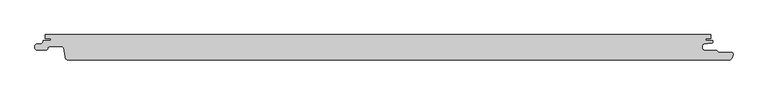
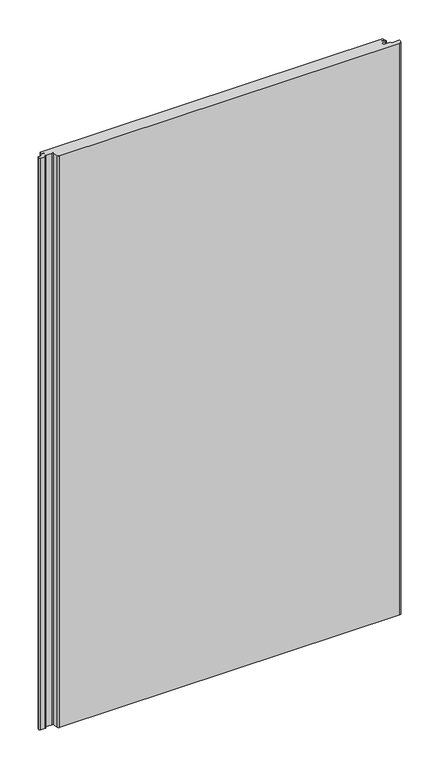
"""IFC4 building model written with IfcOpenShell, lengths in millimetres: proxy geometry."""

from ifc_helpers import new_model, si_unit, frame, origin, place, context, project, spatial, polyline, circle_curve, source, transform, mapped, element, save
from ifc_brep_helpers import plane_surface, cylinder_surface, revolved_surface, advanced_brep


def generic_models_c02bc16c(model_context):
    return source(origin(), model_context, "Body", "AdvancedBrep", [
        advanced_brep(
        [(484.3298107, -1.8000001, 1750.0), (484.3298107, 2.7224763, 1750.0), (486.6119534, 5.2129632, 1750.0), (498.354128, 6.2402726, 1750.0), (499.9, 8.6411684, 1750.0), (499.9, 10.0000004, 1750.0), (489.1798407, 10.0000004, 1750.0), (489.1798407, 13.0, 1750.0), (497.1797973, 13.0, 1750.0), (497.1797973, 19.0, 1750.0), (-496.8201817, 19.0, 1750.0), (-496.8201817, 13.0, 1750.0), (-488.8201818, 13.0, 1750.0), (-488.8201818, 10.0000004, 1750.0), (-500.0, 10.0000004, 1750.0), (-500.0, 9.2119514, 1750.0), (-502.1022925, 5.8003409, 1750.0), (-509.3990803, 5.1619547, 1750.0), (-512.3201819, 1.9741325, 1750.0), (-512.3201819, -0.8, 1750.0), (-509.1201818, -4.0, 1750.0), (-495.8890733, -4.0, 1750.0), (-493.4041499, -1.4803363, 1750.0), (-490.8699744, 1.0000008, 1750.0), (-471.869975, 1.0000008, 1750.0), (-469.4007538, -1.108914, 1750.0), (-467.2618449, -14.6134595, 1750.0), (-462.1258654, -19.0, 1750.0), (523.545754, -19.0, 1750.0), (529.0259034, -15.1970619, 1750.0), (530.1174781, -10.8771031, 1750.0), (527.5001275, -7.3, 1750.0), (508.408237, -7.3, 1750.0), (505.4082234, -4.2999995, 1750.0), (486.8298083, -4.2999995, 1750.0), (484.3298107, -1.8000001, 0.0), (486.8298083, -4.2999995, 0.0), (505.4082234, -4.2999995, 0.0), (508.408237, -7.3, 0.0), (527.5001275, -7.3, 0.0), (530.1174781, -10.8771031, 0.0), (529.0259034, -15.1970619, 0.0), (523.545754, -19.0, 0.0), (-462.1258654, -19.0, 0.0), (-467.2618449, -14.6134595, 0.0), (-469.4007538, -1.108914, 0.0), (-471.869975, 1.0000008, 0.0), (-490.8699744, 1.0000008, 0.0), (-493.3542541, -1.4766379, 0.0), (-495.8890733, -4.0, 0.0), (-509.1201818, -4.0, 0.0), (-512.3201819, -0.8, 0.0), (-512.3201819, 1.9741325, 0.0), (-509.3990803, 5.1619547, 0.0), (-502.1022925, 5.8003409, 0.0), (-500.0, 9.2119514, 0.0), (-500.0, 10.0000004, 0.0), (-488.8201818, 10.0000004, 0.0), (-488.8201818, 13.0, 0.0), (-496.8201817, 13.0, 0.0), (-496.8201817, 19.0, 0.0), (497.1797973, 19.0, 0.0), (497.1797973, 13.0, 0.0), (489.1798407, 13.0, 0.0), (489.1798407, 10.0000004, 0.0), (499.9, 10.0000004, 0.0), (499.9, 8.6411684, 0.0), (498.354128, 6.2402726, 0.0), (486.6119534, 5.2129632, 0.0), (484.3298107, 2.7224763, 0.0)],
        [
            (0, 1),
            (1, 2, circle_curve(frame((487.1582199, 2.4215379, 1750.0), z_axis=(0.0, 0.0, -1.0), x_axis=(1.0, 0.0, 0.0)), 2.8443739)),
            (2, 3),
            (3, 4, circle_curve(frame((497.0478272, 8.7794849, 1750.0), z_axis=(0.0, 0.0, 1.0), x_axis=(1.0, 0.0, 0.0)), 2.8555247)),
            (4, 5),
            (5, 6),
            (6, 7),
            (7, 8),
            (8, 9),
            (9, 10),
            (10, 11),
            (11, 12),
            (12, 13),
            (13, 14),
            (14, 15),
            (15, 16, circle_curve(frame((-503.8193353, 9.2119514, 1750.0), z_axis=(0.0, 0.0, -1.0), x_axis=(1.0, 0.0, 0.0)), 3.8193353)),
            (16, 17),
            (17, 18, circle_curve(frame((-509.0519935, 1.9116485, 1750.0), z_axis=(0.0, 0.0, 1.0), x_axis=(1.0, 0.0, 0.0)), 3.2687857)),
            (18, 19),
            (19, 20, circle_curve(frame((-509.1681836, -0.8480017, 1750.0), z_axis=(0.0, 0.0, 1.0), x_axis=(1.0, 0.0, 0.0)), 3.1523638)),
            (20, 21),
            (21, 22, circle_curve(frame((-495.7478996, -1.6540644, 1750.0), z_axis=(0.0, 0.0, 1.0), x_axis=(1.0, 0.0, 0.0)), 2.3501795)),
            (22, 23, circle_curve(frame((-491.0480249, -1.3056909, 1750.0), z_axis=(0.0, 0.0, -1.0), x_axis=(1.0, 0.0, 0.0)), 2.3125562)),
            (23, 24),
            (24, 25, circle_curve(frame((-471.8642031, -1.4932414, 1750.0), z_axis=(0.0, 0.0, -1.0), x_axis=(1.0, 0.0, 0.0)), 2.4932489)),
            (25, 26),
            (26, 27, circle_curve(frame((-462.186788, -13.871331, 1750.0), z_axis=(0.0, 0.0, 1.0), x_axis=(1.0, 0.0, 0.0)), 5.1290309)),
            (27, 28),
            (28, 29, circle_curve(frame((523.545754, -13.15, 1750.0), z_axis=(0.0, 0.0, 1.0), x_axis=(1.0, 0.0, 0.0)), 5.85)),
            (29, 30),
            (30, 31, circle_curve(frame((527.1899828, -10.273035, 1750.0), z_axis=(0.0, 0.0, 1.0), x_axis=(1.0, 0.0, 0.0)), 2.9891683)),
            (31, 32),
            (32, 33),
            (33, 34),
            (34, 0, circle_curve(frame((486.8260066, -1.8038036, 1750.0), z_axis=(0.0, 0.0, -1.0), x_axis=(1.0, 0.0, 0.0)), 2.4961988)),
            (35, 36, circle_curve(frame((486.8260066, -1.8038036, 0.0), z_axis=(0.0, 0.0, 1.0), x_axis=(1.0, 0.0, 0.0)), 2.4961988)),
            (36, 37),
            (37, 38),
            (38, 39),
            (39, 40, circle_curve(frame((527.1899828, -10.273035, 0.0), z_axis=(0.0, 0.0, -1.0), x_axis=(1.0, 0.0, 0.0)), 2.9891683)),
            (40, 41),
            (41, 42, circle_curve(frame((523.545754, -13.15, 0.0), z_axis=(0.0, 0.0, -1.0), x_axis=(1.0, 0.0, 0.0)), 5.85)),
            (42, 43),
            (43, 44, circle_curve(frame((-462.186788, -13.871331, 0.0), z_axis=(0.0, 0.0, -1.0), x_axis=(1.0, 0.0, 0.0)), 5.1290309)),
            (44, 45),
            (45, 46, circle_curve(frame((-471.8642031, -1.4932414, 0.0), z_axis=(0.0, 0.0, 1.0), x_axis=(1.0, 0.0, 0.0)), 2.4932489)),
            (46, 47),
            (47, 48, circle_curve(frame((-491.0480249, -1.3056909, 0.0), z_axis=(0.0, 0.0, 1.0), x_axis=(1.0, 0.0, 0.0)), 2.3125562)),
            (48, 49, circle_curve(frame((-495.7478996, -1.6540644, 0.0), z_axis=(0.0, 0.0, -1.0), x_axis=(1.0, 0.0, 0.0)), 2.3501795)),
            (49, 50),
            (50, 51, circle_curve(frame((-509.1681836, -0.8480017, 0.0), z_axis=(0.0, 0.0, -1.0), x_axis=(1.0, 0.0, 0.0)), 3.1523638)),
            (51, 52),
            (52, 53, circle_curve(frame((-509.0519935, 1.9116485, 0.0), z_axis=(0.0, 0.0, -1.0), x_axis=(1.0, 0.0, 0.0)), 3.2687857)),
            (53, 54),
            (54, 55, circle_curve(frame((-503.8193353, 9.2119514, 0.0), z_axis=(0.0, 0.0, 1.0), x_axis=(1.0, 0.0, 0.0)), 3.8193353)),
            (55, 56),
            (56, 57),
            (57, 58),
            (58, 59),
            (59, 60),
            (60, 61),
            (61, 62),
            (62, 63),
            (63, 64),
            (64, 65),
            (65, 66),
            (66, 67, circle_curve(frame((497.0478272, 8.7794849, 0.0), z_axis=(0.0, 0.0, -1.0), x_axis=(1.0, 0.0, 0.0)), 2.8555247)),
            (67, 68),
            (68, 69, circle_curve(frame((487.1582199, 2.4215379, 0.0), z_axis=(0.0, 0.0, 1.0), x_axis=(1.0, 0.0, 0.0)), 2.8443739)),
            (69, 35),
            (3, 67),
            (66, 4),
            (34, 36),
            (35, 0),
            (33, 37),
            (32, 38),
            (31, 39),
            (30, 40),
            (29, 41),
            (28, 42),
            (27, 43),
            (26, 44),
            (25, 45),
            (24, 46),
            (23, 47),
            (22, 48),
            (21, 49),
            (20, 50),
            (19, 51),
            (18, 52),
            (17, 53),
            (16, 54),
            (15, 55),
            (14, 56),
            (13, 57),
            (12, 58),
            (11, 59),
            (10, 60),
            (9, 61),
            (8, 62),
            (7, 63),
            (6, 64),
            (5, 65),
            (2, 68),
            (1, 69),
        ],
        [
            plane_surface(frame((489.3222054, -1.8038036, 1750.0), z_axis=(0.0, 0.0, 1.0), x_axis=(0.0, 1.0, 0.0))),
            plane_surface(frame((489.3222054, -1.8038036, 0.0), z_axis=(0.0, 0.0, -1.0), x_axis=(0.0, -1.0, 0.0))),
            cylinder_surface(frame((497.0478272, 8.7794849, 0.0), z_axis=(0.0, 0.0, 1.0), x_axis=(1.0, 0.0, 0.0)), 2.8555247),
            revolved_surface(polyline([(489.32220540000003, -1.8038036, 0.0), (489.32220540000003, -1.8038036, 1750.0)]), (486.8260066, -1.8038036, 0.0), (0.0, 0.0, -1.0)),
            plane_surface(frame((486.8298083, -4.2999995, 1750.0), z_axis=(0.0, 1.0, 0.0), x_axis=(0.0, 0.0, -1.0))),
            plane_surface(frame((505.4082234, -4.2999995, 1750.0), z_axis=(0.7071052289837289, 0.707108333385959, 0.0), x_axis=(0.0, 0.0, -1.0))),
            plane_surface(frame((508.408237, -7.3, 1750.0), z_axis=(0.0, 1.0, 0.0), x_axis=(0.0, 0.0, -1.0))),
            cylinder_surface(frame((527.1899828, -10.273035, 0.0), z_axis=(0.0, 0.0, 1.0), x_axis=(1.0, 0.0, 0.0)), 2.9891683),
            plane_surface(frame((530.1174781, -10.8771031, 1750.0), z_axis=(0.9695276443999398, -0.24498193146496328, 0.0), x_axis=(0.0, 0.0, -1.0))),
            cylinder_surface(frame((523.545754, -13.15, 0.0), z_axis=(0.0, 0.0, 1.0), x_axis=(1.0, 0.0, 0.0)), 5.85),
            plane_surface(frame((523.545754, -19.0, 1750.0), z_axis=(0.0, -1.0, 0.0), x_axis=(0.0, 0.0, -1.0))),
            cylinder_surface(frame((-462.186788, -13.871331, 0.0), z_axis=(0.0, 0.0, 1.0), x_axis=(1.0, 0.0, 0.0)), 5.1290309),
            plane_surface(frame((-467.2618449, -14.6134595, 1750.0), z_axis=(-0.9876883510848851, -0.15643439881055846, 0.0), x_axis=(0.0, 0.0, -1.0))),
            revolved_surface(polyline([(-469.37095419999997, -1.4932414, 0.0), (-469.37095419999997, -1.4932414, 1750.0)]), (-471.8642031, -1.4932414, 0.0), (0.0, 0.0, -1.0)),
            plane_surface(frame((-471.869975, 1.0000008, 1750.0), z_axis=(0.0, -1.0, 0.0), x_axis=(0.0, 0.0, -1.0))),
            revolved_surface(polyline([(-488.73546869999996, -1.3056909, 0.0), (-488.73546869999996, -1.3056909, 1750.0)]), (-491.0480249, -1.3056909, 0.0), (0.0, 0.0, -1.0)),
            cylinder_surface(frame((-495.7478996, -1.6540644, 0.0), z_axis=(0.0, 0.0, 1.0), x_axis=(1.0, 0.0, 0.0)), 2.3501795),
            plane_surface(frame((-495.8890733, -4.0, 1750.0), z_axis=(0.0, -1.0, 0.0), x_axis=(0.0, 0.0, -1.0))),
            cylinder_surface(frame((-509.1681836, -0.8480017, 0.0), z_axis=(0.0, 0.0, 1.0), x_axis=(1.0, 0.0, 0.0)), 3.1523638),
            plane_surface(frame((-512.3201819, -0.8, 1750.0), z_axis=(-1.0, 0.0, 0.0), x_axis=(0.0, 0.0, -1.0))),
            cylinder_surface(frame((-509.0519935, 1.9116485, 0.0), z_axis=(0.0, 0.0, 1.0), x_axis=(1.0, 0.0, 0.0)), 3.2687857),
            plane_surface(frame((-509.3990803, 5.1619547, 1750.0), z_axis=(-0.08715574563482881, 0.9961946978391508, 0.0), x_axis=(0.0, 0.0, -1.0))),
            revolved_surface(polyline([(-500.0, 9.2119514, 0.0), (-500.0, 9.2119514, 1750.0)]), (-503.8193353, 9.2119514, 0.0), (0.0, 0.0, -1.0)),
            plane_surface(frame((-500.0, 9.2119514, 1750.0), z_axis=(-1.0, 0.0, 0.0), x_axis=(0.0, 0.0, -1.0))),
            plane_surface(frame((-500.0, 10.0000004, 1750.0), z_axis=(0.0, 1.0, 0.0), x_axis=(0.0, 0.0, -1.0))),
            plane_surface(frame((-488.8201818, 10.0000004, 1750.0), z_axis=(-1.0, 0.0, 0.0), x_axis=(0.0, 0.0, -1.0))),
            plane_surface(frame((-488.8201818, 13.0, 1750.0), z_axis=(0.0, -1.0, 0.0), x_axis=(0.0, 0.0, -1.0))),
            plane_surface(frame((-496.8201817, 13.0, 1750.0), z_axis=(-1.0, 0.0, 0.0), x_axis=(0.0, 0.0, -1.0))),
            plane_surface(frame((-496.8201817, 19.0, 1750.0), z_axis=(0.0, 1.0, 0.0), x_axis=(0.0, 0.0, -1.0))),
            plane_surface(frame((497.1797973, 19.0, 1750.0), z_axis=(1.0, 0.0, 0.0), x_axis=(0.0, 0.0, -1.0))),
            plane_surface(frame((497.1797973, 13.0, 1750.0), z_axis=(0.0, -1.0, 0.0), x_axis=(0.0, 0.0, -1.0))),
            plane_surface(frame((489.1798407, 13.0, 1750.0), z_axis=(1.0, 0.0, 0.0), x_axis=(0.0, 0.0, -1.0))),
            plane_surface(frame((489.1798407, 10.0000004, 1750.0), z_axis=(0.0, 1.0, 0.0), x_axis=(0.0, 0.0, -1.0))),
            plane_surface(frame((499.9, 10.0000004, 1750.0), z_axis=(1.0, 0.0, 0.0), x_axis=(0.0, 0.0, -1.0))),
            plane_surface(frame((498.354128, 6.2402726, 1750.0), z_axis=(0.08715592552603066, -0.9961946821006932, 0.0), x_axis=(0.0, 0.0, -1.0))),
            revolved_surface(polyline([(490.0025938, 2.4215379, 0.0), (490.0025938, 2.4215379, 1750.0)]), (487.1582199, 2.4215379, 0.0), (0.0, 0.0, -1.0)),
            plane_surface(frame((484.3298107, 2.7224763, 1750.0), z_axis=(1.0, 0.0, 0.0), x_axis=(0.0, 0.0, -1.0))),
        ],
        [
            (0, [[1, 2, 3, 4, 5, 6, 7, 8, 9, 10, 11, 12, 13, 14, 15, 16, 17, 18, 19, 20, 21, 22, 23, 24, 25, 26, 27, 28, 29, 30, 31, 32, 33, 34, 35]]),
            (1, [[36, 37, 38, 39, 40, 41, 42, 43, 44, 45, 46, 47, 48, 49, 50, 51, 52, 53, 54, 55, 56, 57, 58, 59, 60, 61, 62, 63, 64, 65, 66, 67, 68, 69, 70]]),
            (2, [[71, -67, 72, -4]]),
            (3, [[73, -36, 74, -35]]),
            (4, [[75, -37, -73, -34]]),
            (5, [[76, -38, -75, -33]]),
            (6, [[77, -39, -76, -32]]),
            (7, [[78, -40, -77, -31]]),
            (8, [[79, -41, -78, -30]]),
            (9, [[80, -42, -79, -29]]),
            (10, [[81, -43, -80, -28]]),
            (11, [[82, -44, -81, -27]]),
            (12, [[83, -45, -82, -26]]),
            (13, [[84, -46, -83, -25]]),
            (14, [[85, -47, -84, -24]]),
            (15, [[86, -48, -85, -23]]),
            (16, [[87, -49, -86, -22]]),
            (17, [[88, -50, -87, -21]]),
            (18, [[89, -51, -88, -20]]),
            (19, [[90, -52, -89, -19]]),
            (20, [[91, -53, -90, -18]]),
            (21, [[92, -54, -91, -17]]),
            (22, [[93, -55, -92, -16]]),
            (23, [[94, -56, -93, -15]]),
            (24, [[95, -57, -94, -14]]),
            (25, [[96, -58, -95, -13]]),
            (26, [[97, -59, -96, -12]]),
            (27, [[98, -60, -97, -11]]),
            (28, [[99, -61, -98, -10]]),
            (29, [[100, -62, -99, -9]]),
            (30, [[101, -63, -100, -8]]),
            (31, [[102, -64, -101, -7]]),
            (32, [[103, -65, -102, -6]]),
            (33, [[-72, -66, -103, -5]]),
            (34, [[104, -68, -71, -3]]),
            (35, [[105, -69, -104, -2]]),
            (36, [[-74, -70, -105, -1]]),
        ],
    ),
    ])


if __name__ == "__main__":
    model = new_model("IFC4")
    model_context = context("Model", 3, world=origin())
    ifc_project = project(units=[si_unit("LENGTHUNIT", "METRE", prefix="MILLI")], contexts=[model_context])
    site = spatial("IfcSite", under=ifc_project)
    building = spatial("IfcBuilding", under=site)
    placement = place(None, origin())
    generic_models_shape = generic_models_c02bc16c(model_context)
    element("IfcBuildingElementProxy", 1, Name="Generic Models", at=placement, inside=building, context=model_context, shape_type="MappedRepresentation", body=[
        mapped(generic_models_shape, transform((0.0, 0.0, 0.0), x_axis=(1.0, 0.0, 0.0), y_axis=(0.0, 1.0, 0.0), z_axis=(0.0, 0.0, 1.0))),
    ])
    save(model, "model.ifc")
